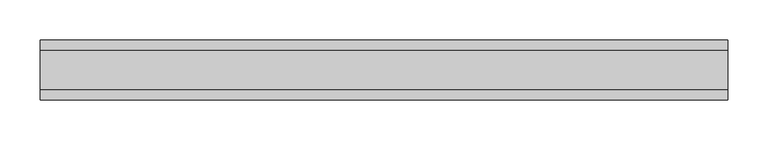
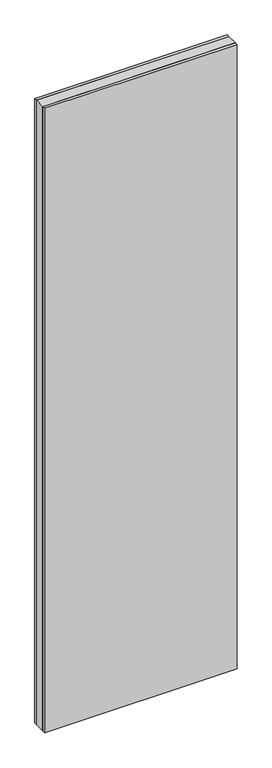
"""IFC4 building model written with IfcOpenShell, lengths in millimetres: plate geometry."""

import ifcopenshell
import ifcopenshell.guid

model = None  # the IFC model being written
_history = None  # IfcOwnerHistory: only IFC2X3 demands one
_inside = {}  # id of a spatial element -> (the spatial element, [elements in it])
_under = {}  # id of a project, library or spatial element -> (it, [spatial elements below it])
_declared = {}  # id of a project -> (the project, [libraries it declares])
_typed = {}  # id of a type object -> (the type object, [elements of that type])
_made_of = {}  # id of a material, layer set ... -> (it, [elements and type objects made of it])


def new_model(schema):
    """Start an empty IFC model of exactly this schema.

    Asked for "IFC4X3", IfcOpenShell would pick the latest addendum, in which some entities
    have other attributes; the version numbers below select the first issue.
    IFC2X3 requires an IfcOwnerHistory on every rooted entity: one is made here for all.
    """
    global model, _history
    if schema == "IFC4X3":
        model = ifcopenshell.file(schema_version=(4, 3, 0, 0))
    else:
        model = ifcopenshell.file(schema=schema)
    _inside.clear()
    _under.clear()
    _declared.clear()
    _typed.clear()
    _made_of.clear()
    _history = None
    if model.schema == "IFC2X3":
        org = make("IfcOrganization", Name="unknown")
        user = make(
            "IfcPersonAndOrganization",
            ThePerson=make("IfcPerson", FamilyName="unknown"),
            TheOrganization=org,
        )
        app = make(
            "IfcApplication",
            ApplicationDeveloper=org,
            Version="unknown",
            ApplicationFullName="unknown",
            ApplicationIdentifier="unknown",
        )
        _history = make(
            "IfcOwnerHistory",
            OwningUser=user,
            OwningApplication=app,
            ChangeAction="ADDED",
            CreationDate=0,
        )
    return model


def make(cls, **values):
    """One entity of the class cls with the attributes given. An attribute that is None is left unset."""
    return model.create_entity(
        cls, **{name: value for name, value in values.items() if value is not None}
    )


def rooted(cls, **values):
    """An entity with a GlobalId (a new one), such as an element, a storey or a relation."""
    return make(cls, GlobalId=ifcopenshell.guid.new(), OwnerHistory=_history, **values)


def si_unit(unit_type, name, prefix=None):
    """IfcSIUnit, for example si_unit("LENGTHUNIT", "METRE", prefix="MILLI")."""
    return make("IfcSIUnit", UnitType=unit_type, Prefix=prefix, Name=name)


def assignment(units):
    """IfcUnitAssignment: the units of a project."""
    return None if units is None else make("IfcUnitAssignment", Units=units)


def point(xyz):
    """IfcCartesianPoint."""
    return None if xyz is None else make("IfcCartesianPoint", Coordinates=xyz)


def direction(xyz):
    """IfcDirection."""
    return None if xyz is None else make("IfcDirection", DirectionRatios=xyz)


def frame(location, z_axis=None, x_axis=None):
    """IfcAxis2Placement3D, a coordinate frame: its origin and axes. An axis left out is left unset."""
    return make(
        "IfcAxis2Placement3D",
        Location=point(location),
        Axis=direction(z_axis),
        RefDirection=direction(x_axis),
    )


def origin():
    """The frame at (0, 0, 0) with its axes left unset."""
    return frame((0.0, 0.0, 0.0))


def origin_with_axes():
    """The frame at (0, 0, 0) with the z axis (0, 0, 1) and the x axis (1, 0, 0) written out."""
    return frame((0.0, 0.0, 0.0), z_axis=(0.0, 0.0, 1.0), x_axis=(1.0, 0.0, 0.0))


def place(relative_to, where):
    """IfcLocalPlacement: puts the frame where relative to a parent placement (None: the world)."""
    return make(
        "IfcLocalPlacement", PlacementRelTo=relative_to, RelativePlacement=where
    )


def context(
    kind, dimensions, precision=None, world=None, true_north=None, identifier=None
):
    """IfcGeometricRepresentationContext, for example the 3D "Model" context."""
    return make(
        "IfcGeometricRepresentationContext",
        ContextIdentifier=identifier,
        ContextType=kind,
        CoordinateSpaceDimension=dimensions,
        Precision=precision,
        WorldCoordinateSystem=world,
        TrueNorth=true_north,
    )


def project(units=None, contexts=None):
    """IfcProject with its units and contexts."""
    return rooted(
        "IfcProject",
        Name="project",
        RepresentationContexts=contexts,
        UnitsInContext=assignment(units),
    )


def spatial(cls, under=None, at=None, **own):
    """A site, building, storey or space (cls), placed at a placement, below another one or the project."""
    s = rooted(cls, ObjectPlacement=at, **own)
    if under is not None:
        _under.setdefault(under.id(), (under, []))[1].append(s)
    return s


def polyline(points):
    """IfcPolyline through the points."""
    return make("IfcPolyline", Points=[point(p) for p in points])


def outline(outer, holes=None, kind="AREA"):
    """IfcArbitraryClosedProfileDef: a profile drawn as a closed curve; with holes, ...WithVoids."""
    if holes is None:
        return make("IfcArbitraryClosedProfileDef", ProfileType=kind, OuterCurve=outer)
    return make(
        "IfcArbitraryProfileDefWithVoids",
        ProfileType=kind,
        OuterCurve=outer,
        InnerCurves=holes,
    )


def extrude(swept, where, along, depth):
    """IfcExtrudedAreaSolid: the profile swept, set in the frame where, extruded along a direction by depth."""
    return make(
        "IfcExtrudedAreaSolid",
        SweptArea=swept,
        Position=where,
        ExtrudedDirection=direction(along),
        Depth=depth,
    )


def shape(context_of_items, identifier, shape_type, items):
    """IfcShapeRepresentation: the items that make up one representation, for example the "Body"."""
    return make(
        "IfcShapeRepresentation",
        ContextOfItems=context_of_items,
        RepresentationIdentifier=identifier,
        RepresentationType=shape_type,
        Items=items,
    )


def source(mapping_origin, context_of_items, identifier, shape_type, items):
    """IfcRepresentationMap: a shape defined once, which mapped items show again and again."""
    return make(
        "IfcRepresentationMap",
        MappingOrigin=mapping_origin,
        MappedRepresentation=shape(context_of_items, identifier, shape_type, items),
    )


def transform(
    local_origin,
    x_axis=None,
    y_axis=None,
    z_axis=None,
    scale=None,
    scale2=None,
    scale3=None,
    uniform=True,
):
    """IfcCartesianTransformationOperator3D, or its non-uniform kind. x_axis, y_axis, z_axis: its Axis1, 2, 3."""
    if uniform:
        return make(
            "IfcCartesianTransformationOperator3D",
            Axis1=direction(x_axis),
            Axis2=direction(y_axis),
            LocalOrigin=point(local_origin),
            Scale=scale,
            Axis3=direction(z_axis),
        )
    return make(
        "IfcCartesianTransformationOperator3DnonUniform",
        Axis1=direction(x_axis),
        Axis2=direction(y_axis),
        LocalOrigin=point(local_origin),
        Scale=scale,
        Axis3=direction(z_axis),
        Scale2=scale2,
        Scale3=scale3,
    )


def mapped(mapping_source, mapping_target):
    """IfcMappedItem: shows the shape of a source again, moved by a transform."""
    return make(
        "IfcMappedItem", MappingSource=mapping_source, MappingTarget=mapping_target
    )


def made_of(thing, what):
    """Note that an element or type object is made of a material, layer set ...; save() writes the relation."""
    if what is not None:
        _made_of.setdefault(what.id(), (what, []))[1].append(thing)
    return thing


def element(
    cls,
    number,
    at=None,
    inside=None,
    cuts=None,
    type_object=None,
    material=None,
    context=None,
    identifier="Body",
    shape_type=None,
    held_by="IfcProductDefinitionShape",
    body=None,
    shapes=None,
    **own,
):
    """One element of the class cls, such as IfcWall. Its Tag is "e" and its number.

    at: its placement. inside: the storey or other place that contains it. cuts: it is an
    opening in that element (IfcRelVoidsElement). A single representation is given by context,
    identifier, shape_type and body (its items); several are given by shapes. held_by: the class
    of the entity that holds the representations. save() writes the other relations.
    """
    e = rooted(cls, Tag="e%d" % number, ObjectPlacement=at, **own)
    if body is not None:
        shapes = [shape(context, identifier, shape_type, body)]
    if shapes is not None:
        e.Representation = make(held_by, Representations=shapes)
    if inside is not None:
        _inside.setdefault(inside.id(), (inside, []))[1].append(e)
    if cuts is not None:
        rooted(
            "IfcRelVoidsElement", RelatingBuildingElement=cuts, RelatedOpeningElement=e
        )
    if type_object is not None:
        _typed.setdefault(type_object.id(), (type_object, []))[1].append(e)
    return made_of(e, material)


def aggregate(whole, parts):
    """IfcRelAggregates: a whole, such as a stair, and the parts it consists of."""
    return rooted("IfcRelAggregates", RelatingObject=whole, RelatedObjects=parts)


def save(model, path):
    """Write the relations noted so far, then the file.

    IfcRelAggregates (storeys below a building ...), IfcRelContainedInSpatialStructure (elements
    in a storey), IfcRelDefinesByType, IfcRelAssociatesMaterial and IfcRelDeclares: one each for
    every whole, place, type object, material and project.
    """
    for whole, parts in _under.values():
        aggregate(whole, parts)
    for where, things in _inside.values():
        rooted(
            "IfcRelContainedInSpatialStructure",
            RelatedElements=things,
            RelatingStructure=where,
        )
    for kind, things in _typed.values():
        rooted("IfcRelDefinesByType", RelatedObjects=things, RelatingType=kind)
    for what, things in _made_of.values():
        rooted("IfcRelAssociatesMaterial", RelatedObjects=things, RelatingMaterial=what)
    for by, libraries in _declared.values():
        rooted("IfcRelDeclares", RelatingContext=by, RelatedDefinitions=libraries)
    model.write(path)


def plate_56c2b45d(model_context):
    return source(origin(), model_context, "Body", "SweptSolid", [
        extrude(outline(polyline([(425.3847577, 24.2), (425.3847577, -24.2), (-425.3847577, -24.2), (-425.3847577, 24.2), (425.3847577, 24.2)])), origin_with_axes(), (0.0, 0.0, 1.0), 2915.0),
        extrude(outline(polyline([(425.3847577, 37.2), (425.3847577, 24.2), (-425.3847577, 24.2), (-425.3847577, 37.2), (425.3847577, 37.2)])), origin_with_axes(), (0.0, 0.0, 1.0), 2915.0),
        extrude(outline(polyline([(-425.3847577, -37.2), (-425.3847577, -24.2), (425.3847577, -24.2), (425.3847577, -37.2), (-425.3847577, -37.2)])), origin_with_axes(), (0.0, 0.0, 1.0), 2915.0),
    ])


if __name__ == "__main__":
    model = new_model("IFC4")
    model_context = context("Model", 3, world=origin())
    ifc_project = project(units=[si_unit("LENGTHUNIT", "METRE", prefix="MILLI")], contexts=[model_context])
    site = spatial("IfcSite", under=ifc_project)
    building = spatial("IfcBuilding", under=site)
    placement = place(None, origin())
    plate_shape = plate_56c2b45d(model_context)
    element("IfcPlate", 1, at=placement, inside=building, context=model_context, shape_type="MappedRepresentation", body=[
        mapped(plate_shape, transform((0.0, 0.0, 0.0), x_axis=(1.0, 0.0, 0.0), y_axis=(0.0, 1.0, 0.0), z_axis=(0.0, 0.0, 1.0))),
    ])
    save(model, "model.ifc")
